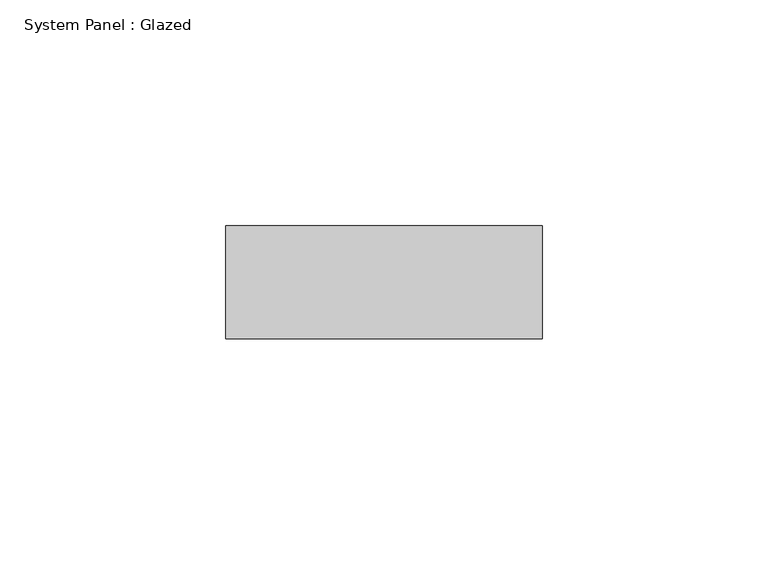
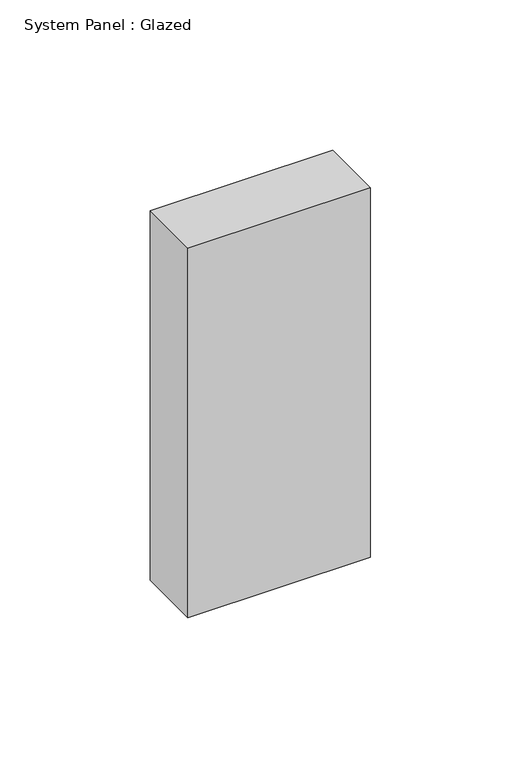
"""IFC4 building model written with IfcOpenShell, lengths in millimetres: plate geometry, System Panel : Glazed."""

from ifc_helpers import new_model, si_unit, origin, origin_with_axes, place, context, project, spatial, polyline, outline, extrude, source, transform, mapped, element, save


def system_panel_glazed_15cbc713(model_context):
    return source(origin(), model_context, "Body", "SweptSolid", [
        extrude(outline(polyline([(35.0, 24.5), (-35.0, 24.5), (-35.0, 49.5), (35.0, 49.5), (35.0, 24.5)])), origin_with_axes(), (0.0, 0.0, 1.0), 150.0),
    ])


if __name__ == "__main__":
    model = new_model("IFC4")
    model_context = context("Model", 3, world=origin())
    ifc_project = project(units=[si_unit("LENGTHUNIT", "METRE", prefix="MILLI")], contexts=[model_context])
    site = spatial("IfcSite", under=ifc_project)
    building = spatial("IfcBuilding", under=site)
    placement = place(None, origin())
    system_panel_glazed_shape = system_panel_glazed_15cbc713(model_context)
    element("IfcPlate", 1, ObjectType="System Panel : Glazed", at=placement, inside=building, context=model_context, shape_type="MappedRepresentation", body=[
        mapped(system_panel_glazed_shape, transform((0.0, 0.0, 0.0), x_axis=(1.0, 0.0, 0.0), y_axis=(0.0, 1.0, 0.0), z_axis=(0.0, 0.0, 1.0))),
    ])
    save(model, "model.ifc")
